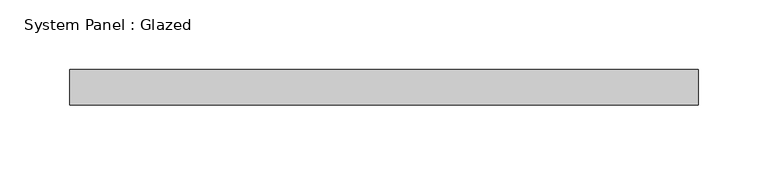
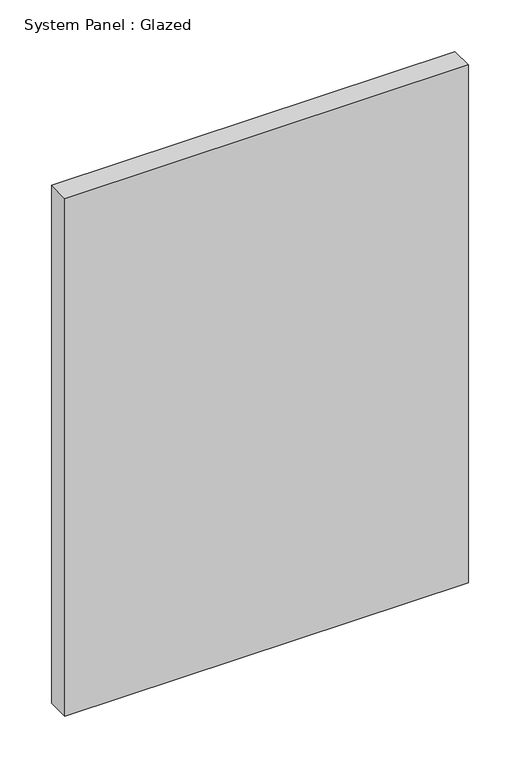
"""IFC4 building model written with IfcOpenShell, lengths in millimetres: plate geometry, System Panel : Glazed."""

from ifc_helpers import new_model, si_unit, origin, origin_with_axes, place, context, project, spatial, polyline, outline, extrude, source, transform, mapped, element, save


def system_panel_glazed_b00f42bd(model_context):
    return source(origin(), model_context, "Body", "SweptSolid", [
        extrude(outline(polyline([(224.7511416, 19.05), (-224.7511416, 19.05), (-224.7511416, 44.45), (224.7511416, 44.45), (224.7511416, 19.05)])), origin_with_axes(), (0.0, 0.0, 1.0), 609.6),
    ])


if __name__ == "__main__":
    model = new_model("IFC4")
    model_context = context("Model", 3, world=origin())
    ifc_project = project(units=[si_unit("LENGTHUNIT", "METRE", prefix="MILLI")], contexts=[model_context])
    site = spatial("IfcSite", under=ifc_project)
    building = spatial("IfcBuilding", under=site)
    placement = place(None, origin())
    system_panel_glazed_shape = system_panel_glazed_b00f42bd(model_context)
    element("IfcPlate", 1, ObjectType="System Panel : Glazed", at=placement, inside=building, context=model_context, shape_type="MappedRepresentation", body=[
        mapped(system_panel_glazed_shape, transform((0.0, 0.0, 0.0), x_axis=(1.0, 0.0, 0.0), y_axis=(0.0, 1.0, 0.0), z_axis=(0.0, 0.0, 1.0))),
    ])
    save(model, "model.ifc")
